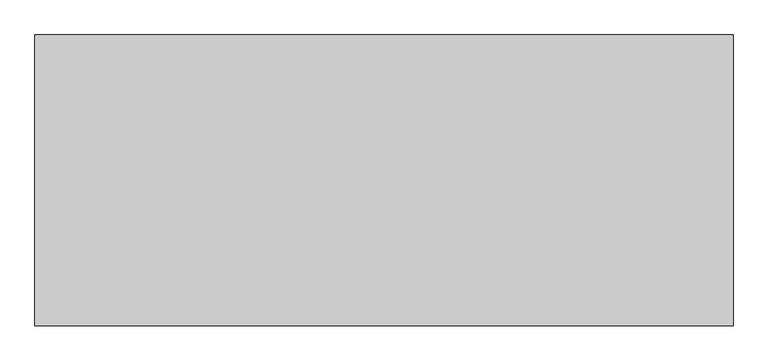
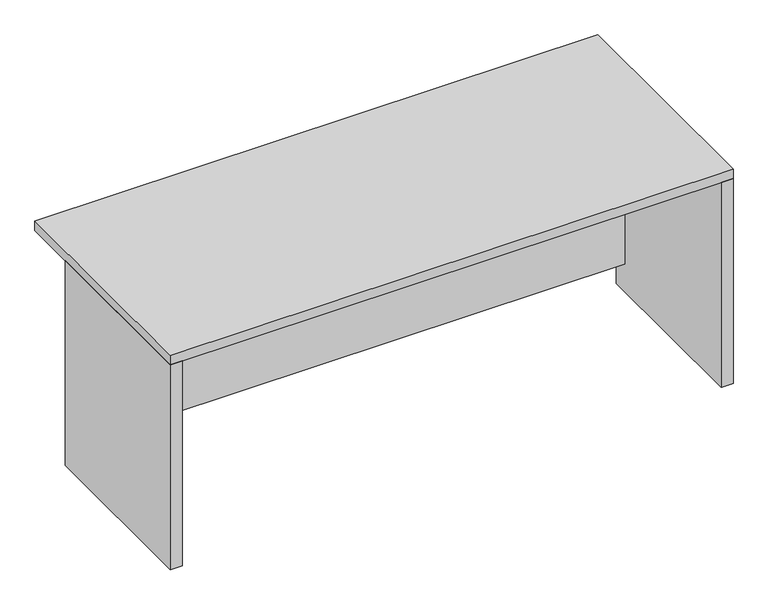
"""IFC4 building model written with IfcOpenShell, lengths in millimetres: furniture geometry."""

import ifcopenshell
import ifcopenshell.guid

model = None  # the IFC model being written
_history = None  # IfcOwnerHistory: only IFC2X3 demands one
_inside = {}  # id of a spatial element -> (the spatial element, [elements in it])
_under = {}  # id of a project, library or spatial element -> (it, [spatial elements below it])
_declared = {}  # id of a project -> (the project, [libraries it declares])
_typed = {}  # id of a type object -> (the type object, [elements of that type])
_made_of = {}  # id of a material, layer set ... -> (it, [elements and type objects made of it])


def new_model(schema):
    """Start an empty IFC model of exactly this schema.

    Asked for "IFC4X3", IfcOpenShell would pick the latest addendum, in which some entities
    have other attributes; the version numbers below select the first issue.
    IFC2X3 requires an IfcOwnerHistory on every rooted entity: one is made here for all.
    """
    global model, _history
    if schema == "IFC4X3":
        model = ifcopenshell.file(schema_version=(4, 3, 0, 0))
    else:
        model = ifcopenshell.file(schema=schema)
    _inside.clear()
    _under.clear()
    _declared.clear()
    _typed.clear()
    _made_of.clear()
    _history = None
    if model.schema == "IFC2X3":
        org = make("IfcOrganization", Name="unknown")
        user = make(
            "IfcPersonAndOrganization",
            ThePerson=make("IfcPerson", FamilyName="unknown"),
            TheOrganization=org,
        )
        app = make(
            "IfcApplication",
            ApplicationDeveloper=org,
            Version="unknown",
            ApplicationFullName="unknown",
            ApplicationIdentifier="unknown",
        )
        _history = make(
            "IfcOwnerHistory",
            OwningUser=user,
            OwningApplication=app,
            ChangeAction="ADDED",
            CreationDate=0,
        )
    return model


def make(cls, **values):
    """One entity of the class cls with the attributes given. An attribute that is None is left unset."""
    return model.create_entity(
        cls, **{name: value for name, value in values.items() if value is not None}
    )


def rooted(cls, **values):
    """An entity with a GlobalId (a new one), such as an element, a storey or a relation."""
    return make(cls, GlobalId=ifcopenshell.guid.new(), OwnerHistory=_history, **values)


def si_unit(unit_type, name, prefix=None):
    """IfcSIUnit, for example si_unit("LENGTHUNIT", "METRE", prefix="MILLI")."""
    return make("IfcSIUnit", UnitType=unit_type, Prefix=prefix, Name=name)


def assignment(units):
    """IfcUnitAssignment: the units of a project."""
    return None if units is None else make("IfcUnitAssignment", Units=units)


def point(xyz):
    """IfcCartesianPoint."""
    return None if xyz is None else make("IfcCartesianPoint", Coordinates=xyz)


def direction(xyz):
    """IfcDirection."""
    return None if xyz is None else make("IfcDirection", DirectionRatios=xyz)


def frame(location, z_axis=None, x_axis=None):
    """IfcAxis2Placement3D, a coordinate frame: its origin and axes. An axis left out is left unset."""
    return make(
        "IfcAxis2Placement3D",
        Location=point(location),
        Axis=direction(z_axis),
        RefDirection=direction(x_axis),
    )


def origin():
    """The frame at (0, 0, 0) with its axes left unset."""
    return frame((0.0, 0.0, 0.0))


def origin_with_axes():
    """The frame at (0, 0, 0) with the z axis (0, 0, 1) and the x axis (1, 0, 0) written out."""
    return frame((0.0, 0.0, 0.0), z_axis=(0.0, 0.0, 1.0), x_axis=(1.0, 0.0, 0.0))


def place(relative_to, where):
    """IfcLocalPlacement: puts the frame where relative to a parent placement (None: the world)."""
    return make(
        "IfcLocalPlacement", PlacementRelTo=relative_to, RelativePlacement=where
    )


def context(
    kind, dimensions, precision=None, world=None, true_north=None, identifier=None
):
    """IfcGeometricRepresentationContext, for example the 3D "Model" context."""
    return make(
        "IfcGeometricRepresentationContext",
        ContextIdentifier=identifier,
        ContextType=kind,
        CoordinateSpaceDimension=dimensions,
        Precision=precision,
        WorldCoordinateSystem=world,
        TrueNorth=true_north,
    )


def project(units=None, contexts=None):
    """IfcProject with its units and contexts."""
    return rooted(
        "IfcProject",
        Name="project",
        RepresentationContexts=contexts,
        UnitsInContext=assignment(units),
    )


def spatial(cls, under=None, at=None, **own):
    """A site, building, storey or space (cls), placed at a placement, below another one or the project."""
    s = rooted(cls, ObjectPlacement=at, **own)
    if under is not None:
        _under.setdefault(under.id(), (under, []))[1].append(s)
    return s


def polyline(points):
    """IfcPolyline through the points."""
    return make("IfcPolyline", Points=[point(p) for p in points])


def outline(outer, holes=None, kind="AREA"):
    """IfcArbitraryClosedProfileDef: a profile drawn as a closed curve; with holes, ...WithVoids."""
    if holes is None:
        return make("IfcArbitraryClosedProfileDef", ProfileType=kind, OuterCurve=outer)
    return make(
        "IfcArbitraryProfileDefWithVoids",
        ProfileType=kind,
        OuterCurve=outer,
        InnerCurves=holes,
    )


def extrude(swept, where, along, depth):
    """IfcExtrudedAreaSolid: the profile swept, set in the frame where, extruded along a direction by depth."""
    return make(
        "IfcExtrudedAreaSolid",
        SweptArea=swept,
        Position=where,
        ExtrudedDirection=direction(along),
        Depth=depth,
    )


def shape(context_of_items, identifier, shape_type, items):
    """IfcShapeRepresentation: the items that make up one representation, for example the "Body"."""
    return make(
        "IfcShapeRepresentation",
        ContextOfItems=context_of_items,
        RepresentationIdentifier=identifier,
        RepresentationType=shape_type,
        Items=items,
    )


def source(mapping_origin, context_of_items, identifier, shape_type, items):
    """IfcRepresentationMap: a shape defined once, which mapped items show again and again."""
    return make(
        "IfcRepresentationMap",
        MappingOrigin=mapping_origin,
        MappedRepresentation=shape(context_of_items, identifier, shape_type, items),
    )


def transform(
    local_origin,
    x_axis=None,
    y_axis=None,
    z_axis=None,
    scale=None,
    scale2=None,
    scale3=None,
    uniform=True,
):
    """IfcCartesianTransformationOperator3D, or its non-uniform kind. x_axis, y_axis, z_axis: its Axis1, 2, 3."""
    if uniform:
        return make(
            "IfcCartesianTransformationOperator3D",
            Axis1=direction(x_axis),
            Axis2=direction(y_axis),
            LocalOrigin=point(local_origin),
            Scale=scale,
            Axis3=direction(z_axis),
        )
    return make(
        "IfcCartesianTransformationOperator3DnonUniform",
        Axis1=direction(x_axis),
        Axis2=direction(y_axis),
        LocalOrigin=point(local_origin),
        Scale=scale,
        Axis3=direction(z_axis),
        Scale2=scale2,
        Scale3=scale3,
    )


def mapped(mapping_source, mapping_target):
    """IfcMappedItem: shows the shape of a source again, moved by a transform."""
    return make(
        "IfcMappedItem", MappingSource=mapping_source, MappingTarget=mapping_target
    )


def made_of(thing, what):
    """Note that an element or type object is made of a material, layer set ...; save() writes the relation."""
    if what is not None:
        _made_of.setdefault(what.id(), (what, []))[1].append(thing)
    return thing


def element(
    cls,
    number,
    at=None,
    inside=None,
    cuts=None,
    type_object=None,
    material=None,
    context=None,
    identifier="Body",
    shape_type=None,
    held_by="IfcProductDefinitionShape",
    body=None,
    shapes=None,
    **own,
):
    """One element of the class cls, such as IfcWall. Its Tag is "e" and its number.

    at: its placement. inside: the storey or other place that contains it. cuts: it is an
    opening in that element (IfcRelVoidsElement). A single representation is given by context,
    identifier, shape_type and body (its items); several are given by shapes. held_by: the class
    of the entity that holds the representations. save() writes the other relations.
    """
    e = rooted(cls, Tag="e%d" % number, ObjectPlacement=at, **own)
    if body is not None:
        shapes = [shape(context, identifier, shape_type, body)]
    if shapes is not None:
        e.Representation = make(held_by, Representations=shapes)
    if inside is not None:
        _inside.setdefault(inside.id(), (inside, []))[1].append(e)
    if cuts is not None:
        rooted(
            "IfcRelVoidsElement", RelatingBuildingElement=cuts, RelatedOpeningElement=e
        )
    if type_object is not None:
        _typed.setdefault(type_object.id(), (type_object, []))[1].append(e)
    return made_of(e, material)


def aggregate(whole, parts):
    """IfcRelAggregates: a whole, such as a stair, and the parts it consists of."""
    return rooted("IfcRelAggregates", RelatingObject=whole, RelatedObjects=parts)


def save(model, path):
    """Write the relations noted so far, then the file.

    IfcRelAggregates (storeys below a building ...), IfcRelContainedInSpatialStructure (elements
    in a storey), IfcRelDefinesByType, IfcRelAssociatesMaterial and IfcRelDeclares: one each for
    every whole, place, type object, material and project.
    """
    for whole, parts in _under.values():
        aggregate(whole, parts)
    for where, things in _inside.values():
        rooted(
            "IfcRelContainedInSpatialStructure",
            RelatedElements=things,
            RelatingStructure=where,
        )
    for kind, things in _typed.values():
        rooted("IfcRelDefinesByType", RelatedObjects=things, RelatingType=kind)
    for what, things in _made_of.values():
        rooted("IfcRelAssociatesMaterial", RelatedObjects=things, RelatingMaterial=what)
    for by, libraries in _declared.values():
        rooted("IfcRelDeclares", RelatingContext=by, RelatedDefinitions=libraries)
    model.write(path)


def furniture_08d03034(model_context):
    return source(origin(), model_context, "Body", "SweptSolid", [
        extrude(outline(polyline([(1613.69375, -292.1), (1613.69375, -321.46875), (-137.31875, -321.46875), (-137.31875, -292.1), (1613.69375, -292.1)])), frame((0.0, 0.0, 95.25), z_axis=(0.0, 0.0, 1.0), x_axis=(1.0, 0.0, 0.0)), (0.0, 0.0, 1.0), 273.05),
        extrude(outline(polyline([(1613.69375, -292.1), (1613.69375, -321.46875), (-137.31875, -321.46875), (-137.31875, -292.1), (1613.69375, -292.1)])), frame((0.0, 0.0, 368.3), z_axis=(0.0, 0.0, 1.0), x_axis=(1.0, 0.0, 0.0)), (0.0, 0.0, 1.0), 273.05),
        extrude(outline(polyline([(1652.5875, -273.05), (1652.5875, -863.6), (1613.69375, -863.6), (1613.69375, -273.05), (1652.5875, -273.05)])), origin_with_axes(), (0.0, 0.0, 1.0), 704.85),
        extrude(outline(polyline([(-137.31875, -273.05), (-137.31875, -863.6), (-176.2125, -863.6), (-176.2125, -273.05), (-137.31875, -273.05)])), origin_with_axes(), (0.0, 0.0, 1.0), 704.85),
        extrude(outline(polyline([(1652.5875, -101.6), (1652.5875, -863.6), (-176.2125, -863.6), (-176.2125, -101.6), (1652.5875, -101.6)])), frame((0.0, 0.0, 704.85), z_axis=(0.0, 0.0, 1.0), x_axis=(1.0, 0.0, 0.0)), (0.0, 0.0, 1.0), 31.75),
    ])


if __name__ == "__main__":
    model = new_model("IFC4")
    model_context = context("Model", 3, world=origin())
    ifc_project = project(units=[si_unit("LENGTHUNIT", "METRE", prefix="MILLI")], contexts=[model_context])
    site = spatial("IfcSite", under=ifc_project)
    building = spatial("IfcBuilding", under=site)
    placement = place(None, origin())
    furniture_shape = furniture_08d03034(model_context)
    element("IfcFurniture", 1, at=placement, inside=building, context=model_context, shape_type="MappedRepresentation", body=[
        mapped(furniture_shape, transform((0.0, 0.0, 0.0), x_axis=(1.0, 0.0, 0.0), y_axis=(0.0, 1.0, 0.0), z_axis=(0.0, 0.0, 1.0))),
    ])
    save(model, "model.ifc")
